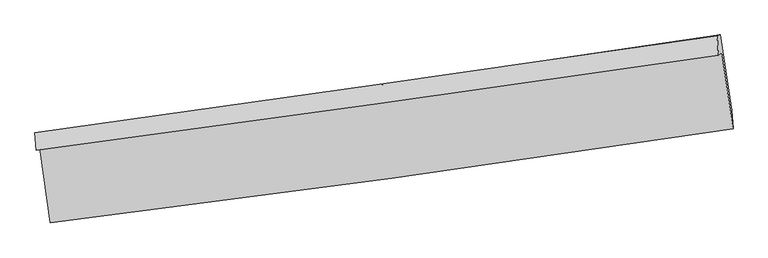
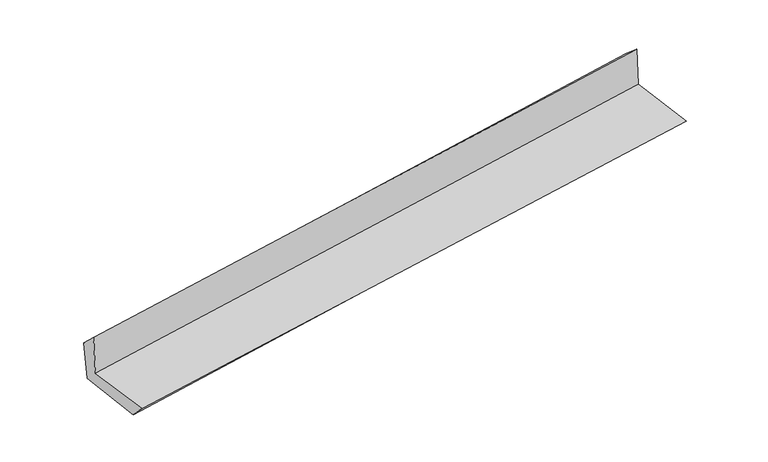
"""IFC4 building model written with IfcOpenShell, lengths in millimetres: proxy geometry."""

from ifc_helpers import new_model, si_unit, frame, origin, place, context, project, spatial, source, transform, mapped, element, save
from ifc_brep_helpers import plane_surface, spline_curve, spline_surface, advanced_brep


def generic_models_be91d89c(model_context):
    return source(origin(), model_context, "Body", "AdvancedBrep", [
        advanced_brep(
        [(-3000.4514286, -1912.5290095, 1655.8365812), (-2905.4201954, -2566.4862355, 1645.3263654), (3049.5203562, -1747.2116433, 2124.8593134), (2951.5746022, -1081.5188116, 2150.1819911), (-3030.9443957, -1933.6396411, 2061.3961912), (2921.6960738, -1102.7125767, 2548.4550642), (-3040.7423086, -1780.1794371, 1912.6515343), (2909.375704, -933.8625988, 2403.4174696), (-3008.0500873, -1784.9107491, 1525.4958936), (2938.6275595, -926.9457535, 2037.586393), (-2913.0400078, -2426.0306413, 1492.8857832), (3036.9665857, -1585.3411142, 1994.7990246)],
        [
            (0, 1),
            (1, 2, spline_curve(3, [(-2905.4201954, -2566.4862355, 1645.3263654), (-1912.042544267, -2444.585824359, 1739.892748515), (-919.103620443, -2315.36196565, 1827.137351538), (1065.876545391, -2042.270136688, 1986.981368892), (2057.917805812, -1898.40246455, 2059.581081997), (3049.5203562, -1747.2116433, 2124.8593134)], [4, 2, 4], [0.0, 9.89218922683332, 19.78417685784516])),
            (2, 3),
            (3, 0, spline_curve(3, [(2951.5746022, -1081.5188116, 2150.1819911), (1960.044099774, -1225.151221485, 2070.869684588), (968.281736116, -1366.217597072, 1990.01851593), (-1015.726931669, -1643.221100725, 1825.236775586), (-2007.973244557, -1779.15812485, 1741.306140735), (-3000.4514286, -1912.5290095, 1655.8365812)], [4, 2, 4], [0.0, 9.89198763101184, 19.78417685784516])),
            (4, 0),
            (3, 5),
            (5, 4, spline_curve(3, [(2921.6960738, -1102.7125767, 2548.4550642), (1930.11371147, -1246.126632585, 2469.389721606), (938.274215253, -1387.076902155, 2389.269234963), (-1045.939264292, -1664.052690559, 2226.916320301), (-2038.313257783, -1800.078109241, 2144.683849141), (-3030.9443957, -1933.6396411, 2061.3961912)], [4, 2, 4], [0.0, 9.891768964611634, 19.78373952058839])),
            (6, 4),
            (5, 7),
            (7, 6, spline_curve(3, [(2909.375704, -933.8625988, 2403.4174696), (1918.087529114, -1078.378685554, 2322.713232208), (926.60532844, -1221.162431325, 2241.464374243), (-1056.767334712, -1503.268114661, 2077.87575163), (-2048.657804842, -1642.589981689, 1995.535964141), (-3040.7423086, -1780.1794371, 1912.6515343)], [4, 2, 4], [0.0, 9.891706704207108, 19.783614998510487])),
            (8, 6),
            (7, 9),
            (9, 8, spline_curve(3, [(2938.6275595, -926.9457535, 2037.586393), (1948.00885554, -1073.909556766, 1953.047868404), (957.148084778, -1218.887833175, 1868.104836788), (-1025.077787565, -1504.876245975, 1697.408019854), (-2016.442899159, -1645.886301608, 1611.654218582), (-3008.0500873, -1784.9107491, 1525.4958936)], [4, 2, 4], [0.0, 9.891664638325896, 19.783530865890775])),
            (10, 8),
            (9, 11),
            (11, 10, spline_curve(3, [(3036.9665857, -1585.3411142, 1994.7990246), (2045.193429918, -1727.127081461, 1915.205973019), (1053.478020768, -1868.07682044, 1833.583790596), (-929.857512462, -2148.306697033, 1666.279459415), (-1921.477635014, -2287.586800344, 1580.597227938), (-2913.0400078, -2426.0306413, 1492.8857832)], [4, 2, 4], [0.0, 9.891686631519367, 19.78357485272593])),
            (1, 10),
            (11, 2),
        ],
        [
            spline_surface(3, 3, [[(-3000.4514286, -1912.5290095, 1655.8365812), (-2007.973244568, -1779.158124787, 1741.306140782), (-1015.726931516, -1643.22110085, 1825.236775474), (968.281735963, -1366.217596947, 1990.018516041), (1960.044099852, -1225.151221607, 2070.869684668), (2951.5746022, -1081.5188116, 2150.1819911)], [(-2968.774350867, -2130.514751492, 1652.33317591), (-1975.99634445, -2000.96735796, 1740.835009953), (-983.519161171, -1867.268055825, 1825.870300769), (1000.81333914, -1591.568443477, 1989.006133681), (1992.668668447, -1449.568302523, 2067.106817095), (2984.223186862, -1303.416422155, 2141.741098543)], [(-2937.097273133, -2348.500493508, 1648.82977069), (-1944.019444329, -2222.776591159, 1740.363879195), (-951.311390859, -2091.315010813, 1826.503826119), (1033.344942285, -1816.91929002, 1987.993751375), (2025.293237055, -1673.985383474, 2063.343949494), (3016.871771538, -1525.314032745, 2133.300205957)], [(-2905.4201954, -2566.4862355, 1645.3263654), (-1912.042544211, -2444.585824333, 1739.892748366), (-919.103620514, -2315.361965788, 1827.137351414), (1065.876545462, -2042.27013655, 1986.981369015), (2057.917805649, -1898.402464391, 2059.581081921), (3049.5203562, -1747.2116433, 2124.8593134)]], [4, 4], [4, 2, 4], [0.0, 2.234434553062746], [0.0, 9.89218922683332, 19.78417685784516]),
            spline_surface(3, 3, [[(-3030.9443957, -1933.6396411, 2061.3961912), (-2038.313257712, -1800.078109259, 2144.683849119), (-1045.939264211, -1664.052690643, 2226.91632031), (938.274215171, -1387.076902071, 2389.269234954), (1930.113711445, -1246.126632584, 2469.389721459), (2921.6960738, -1102.7125767, 2548.4550642)], [(-3020.780073308, -1926.602763906, 1926.209654535), (-2028.199919972, -1793.104781108, 2010.224613008), (-1035.868486629, -1657.108827379, 2093.023138699), (948.276722118, -1380.123800363, 2256.185661984), (1940.090507573, -1239.134828936, 2336.549709202), (2931.655583259, -1095.647988344, 2415.697373173)], [(-3010.615750992, -1919.565886694, 1791.023117865), (-2018.086582309, -1786.131452938, 1875.765376893), (-1025.797709098, -1650.164964114, 1959.129957085), (958.279229015, -1373.170698655, 2123.102089011), (1950.067303724, -1232.143025256, 2203.709696926), (2941.615092741, -1088.583399956, 2282.939682127)], [(-3000.4514286, -1912.5290095, 1655.8365812), (-2007.973244568, -1779.158124787, 1741.306140782), (-1015.726931516, -1643.22110085, 1825.236775474), (968.281735963, -1366.217596947, 1990.018516041), (1960.044099852, -1225.151221607, 2070.869684668), (2951.5746022, -1081.5188116, 2150.1819911)]], [4, 4], [4, 2, 4], [0.0, 1.3193443201339923], [0.0, 9.891970555976757, 19.78373952058839]),
            spline_surface(3, 3, [[(-3040.7423086, -1780.1794371, 1912.6515343), (-2048.657804786, -1642.589981848, 1995.535964093), (-1056.7673346, -1503.268114685, 2077.875751494), (926.605328328, -1221.162431301, 2241.464374379), (1918.087529069, -1078.378685712, 2322.713232111), (2909.375704, -933.8625988, 2403.4174696)], [(-3037.476337659, -1831.332838433, 1962.233086597), (-2045.209622454, -1695.086024319, 2045.251925765), (-1053.157977821, -1556.862973314, 2127.555941117), (930.494957258, -1276.467254868, 2290.732661255), (1922.09625656, -1134.294667995, 2371.605395225), (2913.482493966, -990.145924759, 2451.763334465)], [(-3034.210366641, -1882.486239767, 2011.814638903), (-2041.761440044, -1747.582066789, 2094.967887447), (-1049.54862099, -1610.457832014, 2177.236130687), (934.384586241, -1331.772078505, 2340.000948078), (1926.104983954, -1190.210650302, 2420.497558345), (2917.589283834, -1046.429250741, 2500.109199335)], [(-3030.9443957, -1933.6396411, 2061.3961912), (-2038.313257712, -1800.078109259, 2144.683849119), (-1045.939264211, -1664.052690643, 2226.91632031), (938.274215171, -1387.076902071, 2389.269234954), (1930.113711445, -1246.126632584, 2469.389721459), (2921.6960738, -1102.7125767, 2548.4550642)]], [4, 4], [4, 2, 4], [0.0, 0.7250499083175892], [0.0, 9.891908294303379, 19.783614998510487]),
            spline_surface(3, 3, [[(-3008.0500873, -1784.9107491, 1525.4958936), (-2016.442899256, -1645.886301505, 1611.654218499), (-1025.077787603, -1504.876245975, 1697.408020005), (957.148084817, -1218.887833175, 1868.104836637), (1948.00885539, -1073.909556845, 1953.047868293), (2938.6275595, -926.9457535, 2037.586393)], [(-3018.947494372, -1783.333645105, 1654.547773827), (-2027.181201071, -1644.787528291, 1739.614800358), (-1035.64096994, -1504.340202234, 1824.230597165), (946.967165982, -1219.646032573, 1992.558015881), (1938.035079928, -1075.399266468, 2076.269656224), (2928.876940978, -929.251368601, 2159.530085192)], [(-3029.844901528, -1781.756541095, 1783.599654073), (-2037.919502971, -1643.688755062, 1867.575382235), (-1046.204152263, -1503.804158426, 1951.053174334), (936.786247162, -1220.404231904, 2117.011195135), (1928.061304531, -1076.888976088, 2199.491444179), (2919.126322522, -931.556983699, 2281.473777408)], [(-3040.7423086, -1780.1794371, 1912.6515343), (-2048.657804786, -1642.589981848, 1995.535964093), (-1056.7673346, -1503.268114685, 2077.875751494), (926.605328328, -1221.162431301, 2241.464374379), (1918.087529069, -1078.378685712, 2322.713232111), (2909.375704, -933.8625988, 2403.4174696)]], [4, 4], [4, 2, 4], [0.0, 1.24080076254747], [0.0, 9.89186622756488, 19.783530865890775]),
            spline_surface(3, 3, [[(-2913.0400078, -2426.0306413, 1492.8857832), (-1921.477634873, -2287.586800432, 1580.597228026), (-929.857512603, -2148.306696955, 1666.27945946), (1053.478020909, -1868.076820518, 1833.58379055), (2045.193429822, -1727.1270816, 1915.205972922), (3036.9665857, -1585.3411142, 1994.7990246)], [(-2944.710034315, -2212.324010578, 1503.755820004), (-1953.132723016, -2073.686634134, 1590.949558187), (-961.59760426, -1933.829879949, 1676.65564631), (1021.368042222, -1651.680491391, 1845.090805914), (2012.798571691, -1509.387906675, 1927.819938037), (3004.186910313, -1365.87599396, 2009.061480725)], [(-2976.380060785, -1998.617379822, 1514.625856796), (-1984.787811113, -1859.786467803, 1601.301888338), (-993.337695947, -1719.353062981, 1687.031833156), (989.258063504, -1435.284162303, 1856.597821273), (1980.403713521, -1291.648731769, 1940.433903177), (2971.407234887, -1146.41087374, 2023.323936875)], [(-3008.0500873, -1784.9107491, 1525.4958936), (-2016.442899256, -1645.886301505, 1611.654218499), (-1025.077787603, -1504.876245975, 1697.408020005), (957.148084817, -1218.887833175, 1868.104836637), (1948.00885539, -1073.909556845, 1953.047868293), (2938.6275595, -926.9457535, 2037.586393)]], [4, 4], [4, 2, 4], [0.0, 2.146297553938862], [0.0, 9.891888221206564, 19.78357485272593]),
            spline_surface(3, 3, [[(-2905.4201954, -2566.4862355, 1645.3263654), (-1912.042544211, -2444.585824333, 1739.892748366), (-919.103620514, -2315.361965788, 1827.137351414), (1065.876545462, -2042.27013655, 1986.981369015), (2057.917805649, -1898.402464391, 2059.581081921), (3049.5203562, -1747.2116433, 2124.8593134)], [(-2907.960132879, -2519.667704086, 1594.512838028), (-1915.187574444, -2392.252816352, 1686.794241614), (-922.688251226, -2259.676876195, 1773.518054098), (1061.743703929, -1984.205697891, 1935.848842862), (2053.676347028, -1841.310670142, 2011.45604559), (3045.335766021, -1693.254800281, 2081.505883802)], [(-2910.500070321, -2472.849172714, 1543.699310572), (-1918.33260464, -2339.919808413, 1633.695734778), (-926.272881891, -2203.991786547, 1719.898756777), (1057.610862442, -1926.141259177, 1884.716316704), (2049.434888443, -1784.218875849, 1963.331009252), (3041.151175879, -1639.297957219, 2038.152454198)], [(-2913.0400078, -2426.0306413, 1492.8857832), (-1921.477634873, -2287.586800432, 1580.597228026), (-929.857512603, -2148.306696955, 1666.27945946), (1053.478020909, -1868.076820518, 1833.58379055), (2045.193429822, -1727.1270816, 1915.205972922), (3036.9665857, -1585.3411142, 1994.7990246)]], [4, 4], [4, 2, 4], [0.0, 0.7619448283116537], [0.0, 9.892119218263067, 19.784036842131382]),
            plane_surface(frame((2967.9601469, -1229.5987497, 2209.8832093), z_axis=(0.986494110853346, 0.14204366099455254, 0.08156572578559389), x_axis=(-0.0796914578999862, -0.01884371010572566, 0.9966414531451249))),
            plane_surface(frame((-2983.1080706, -2067.2959523, 1715.5987248), z_axis=(-0.9864941108533007, -0.14204366099486287, -0.08156572578560352), x_axis=(-0.14378855778038188, 0.9894806497653995, 0.01590265359242583))),
        ],
        [
            (0, [[1, 2, 3, 4]]),
            (1, [[5, -4, 6, 7]]),
            (2, [[8, -7, 9, 10]]),
            (3, [[11, -10, 12, 13]]),
            (4, [[14, -13, 15, 16]]),
            (5, [[17, -16, 18, -2]]),
            (6, [[-12, -9, -6, -3, -18, -15]]),
            (7, [[-1, -5, -8, -11, -14, -17]]),
        ],
    ),
    ])


if __name__ == "__main__":
    model = new_model("IFC4")
    model_context = context("Model", 3, world=origin())
    ifc_project = project(units=[si_unit("LENGTHUNIT", "METRE", prefix="MILLI")], contexts=[model_context])
    site = spatial("IfcSite", under=ifc_project)
    building = spatial("IfcBuilding", under=site)
    placement = place(None, origin())
    generic_models_shape = generic_models_be91d89c(model_context)
    element("IfcBuildingElementProxy", 1, Name="Generic Models", at=placement, inside=building, context=model_context, shape_type="MappedRepresentation", body=[
        mapped(generic_models_shape, transform((0.0, 0.0, 0.0), x_axis=(1.0, 0.0, 0.0), y_axis=(0.0, 1.0, 0.0), z_axis=(0.0, 0.0, 1.0))),
    ])
    save(model, "model.ifc")
